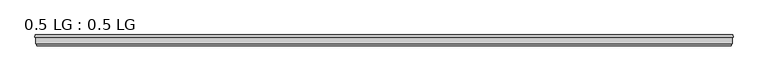
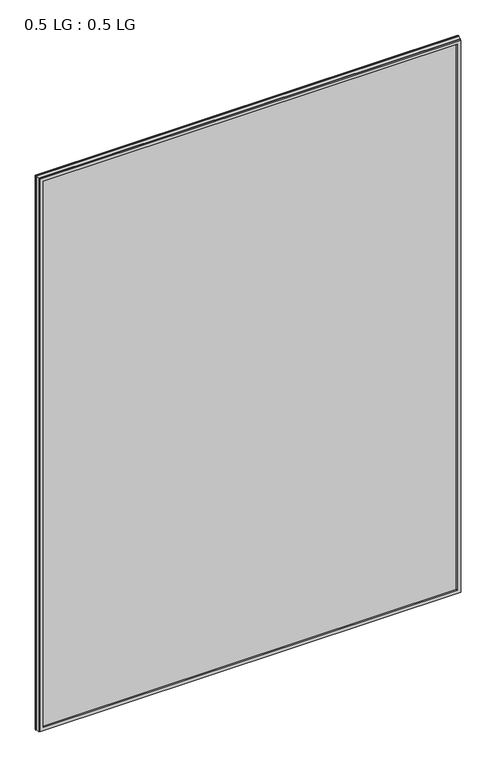
"""IFC4 building model written with IfcOpenShell, lengths in millimetres: plate geometry, 0.5 LG : 0.5 LG."""

from ifc_helpers import new_model, si_unit, origin, origin_with_axes, place, context, project, spatial, polyline, outline, extrude, faceted_brep, source, transform, mapped, element, save


def plate_0_5_lg_0_5_lg_4c53fe8d(model_context):
    return source(origin(), model_context, "Body", "SolidModel", [
        faceted_brep([(-725.8754633, 33.6565875, 2009.4145659), (-724.6871801, 38.3301948, 2008.2262827), (-724.6871801, 38.3301948, -0.7871801), (-725.8754633, 33.6565875, -1.9754633), (-713.5623956, 38.3301948, 1997.1014982), (-712.3742356, 33.6565875, 1995.9133382), (-712.3742356, 33.6565875, 11.5257644), (-713.5623956, 38.3301948, 10.3376044), (724.6871801, 38.3301948, -0.7871801), (725.8754633, 33.6565875, -1.9754633), (712.3742356, 33.6565875, 11.5257644), (713.5623956, 38.3301948, 10.3376044), (724.6871801, 38.3301948, 2008.2262827), (725.8754633, 33.6565875, 2009.4145659), (712.3742356, 33.6565875, 1995.9133382), (713.5623956, 38.3301948, 1997.1014982)], [[[0, 1, 2, 3]], [[4, 5, 6, 7]], [[3, 2, 8, 9]], [[7, 6, 10, 11]], [[9, 8, 12, 13]], [[11, 10, 14, 15]], [[1, 12, 8, 2], [7, 11, 15, 4]], [[13, 12, 1, 0]], [[3, 9, 13, 0], [5, 14, 10, 6]], [[15, 14, 5, 4]]]),
        faceted_brep([(-709.7786419, 20.0421875, 1993.3177445), (-710.8441159, 15.8512075, 1994.3832185), (-710.8441159, 15.8512075, 13.0558841), (-709.7786419, 20.0421875, 14.1213581), (-721.9695018, 15.8512075, 2005.5086044), (-723.0347832, 20.0421875, 2006.5738858), (-723.0347832, 20.0421875, 0.8652168), (-721.9695018, 15.8512075, 1.9304982), (710.8441159, 15.8512075, 13.0558841), (709.7786419, 20.0421875, 14.1213581), (723.0347832, 20.0421875, 0.8652168), (721.9695018, 15.8512075, 1.9304982), (710.8441159, 15.8512075, 1994.3832185), (709.7786419, 20.0421875, 1993.3177445), (723.0347832, 20.0421875, 2006.5738858), (721.9695018, 15.8512075, 2005.5086044)], [[[0, 1, 2, 3]], [[4, 5, 6, 7]], [[3, 2, 8, 9]], [[7, 6, 10, 11]], [[9, 8, 12, 13]], [[11, 10, 14, 15]], [[13, 12, 1, 0]], [[5, 14, 10, 6], [3, 9, 13, 0]], [[15, 14, 5, 4]], [[7, 11, 15, 4], [1, 12, 8, 2]]]),
        extrude(outline(polyline([(723.9, 33.6565875), (723.9, 20.0421875), (-723.9, 20.0421875), (-723.9, 33.6565875), (723.9, 33.6565875)])), origin_with_axes(), (0.0, 0.0, 1.0), 2007.4391026),
    ])


if __name__ == "__main__":
    model = new_model("IFC4")
    model_context = context("Model", 3, world=origin())
    ifc_project = project(units=[si_unit("LENGTHUNIT", "METRE", prefix="MILLI")], contexts=[model_context])
    site = spatial("IfcSite", under=ifc_project)
    building = spatial("IfcBuilding", under=site)
    placement = place(None, origin())
    plate_0_5_lg_0_5_lg_shape = plate_0_5_lg_0_5_lg_4c53fe8d(model_context)
    element("IfcPlate", 1, ObjectType="0.5 LG : 0.5 LG", at=placement, inside=building, context=model_context, shape_type="MappedRepresentation", body=[
        mapped(plate_0_5_lg_0_5_lg_shape, transform((0.0, 0.0, 0.0), x_axis=(1.0, 0.0, 0.0), y_axis=(0.0, 1.0, 0.0), z_axis=(0.0, 0.0, 1.0))),
    ])
    save(model, "model.ifc")
